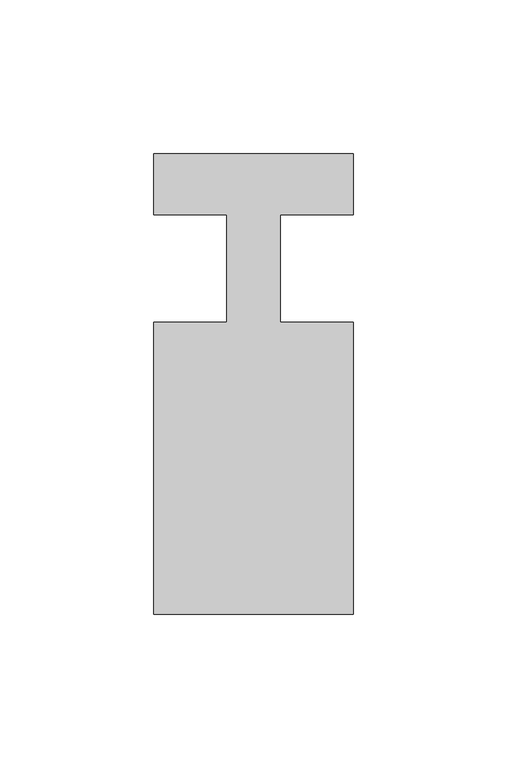
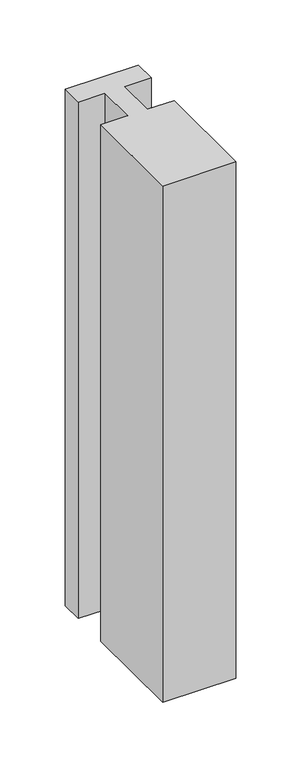
"""IFC4 building model written with IfcOpenShell, lengths in millimetres: member geometry."""

from ifc_helpers import new_model, si_unit, frame, origin, place, context, project, spatial, polyline, outline, extrude, source, transform, mapped, element, save


def member_6dbe3e55(model_context):
    return source(origin(), model_context, "Body", "SweptSolid", [
        extrude(outline(polyline([(-32.5, 37.0), (32.5, 37.0), (32.5, 17.0), (8.6875, 17.0), (8.6875, -18.0), (32.5, -18.0), (32.5, -113.0), (-32.5, -113.0), (-32.5, -18.0), (-8.6875, -18.0), (-8.6875, 17.0), (-32.5, 17.0), (-32.5, 37.0)])), frame((0.0, 0.0, -485.0), z_axis=(0.0, 0.0, 1.0), x_axis=(1.0, 0.0, 0.0)), (0.0, 0.0, 1.0), 485.0),
    ])


if __name__ == "__main__":
    model = new_model("IFC4")
    model_context = context("Model", 3, world=origin())
    ifc_project = project(units=[si_unit("LENGTHUNIT", "METRE", prefix="MILLI")], contexts=[model_context])
    site = spatial("IfcSite", under=ifc_project)
    building = spatial("IfcBuilding", under=site)
    placement = place(None, origin())
    member_shape = member_6dbe3e55(model_context)
    element("IfcMember", 1, at=placement, inside=building, context=model_context, shape_type="MappedRepresentation", body=[
        mapped(member_shape, transform((0.0, 0.0, 0.0), x_axis=(1.0, 0.0, 0.0), y_axis=(0.0, 1.0, 0.0), z_axis=(0.0, 0.0, 1.0))),
    ])
    save(model, "model.ifc")
